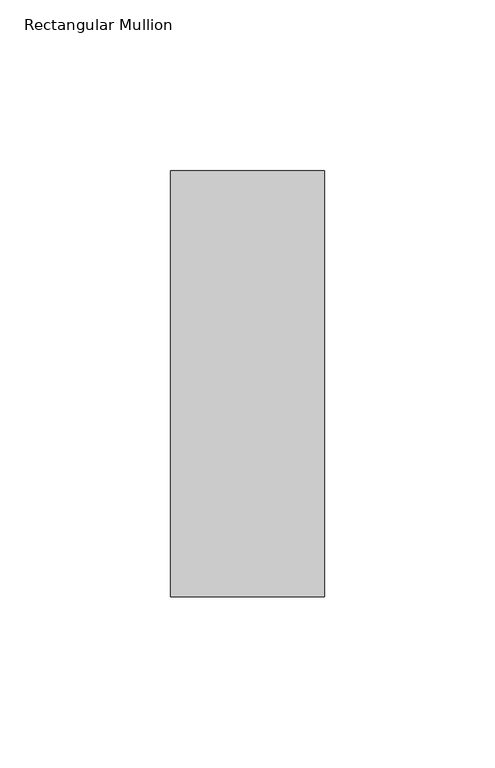
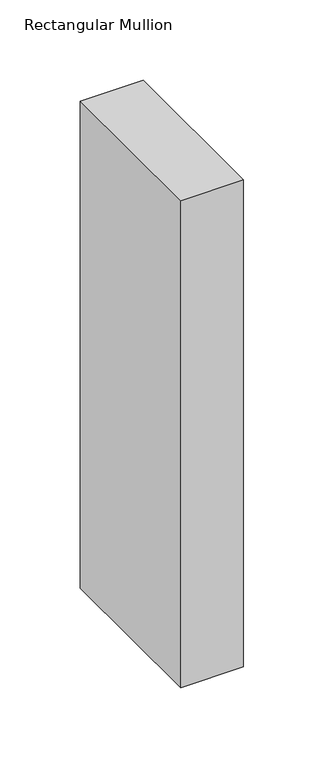
"""IFC4 building model written with IfcOpenShell, lengths in millimetres: member geometry, Rectangular Mullion."""

from ifc_helpers import new_model, si_unit, frame, origin, place, context, project, spatial, polyline, outline, extrude, source, transform, mapped, element, save


def rectangular_mullion_7f04dda9(model_context):
    return source(origin(), model_context, "Body", "SweptSolid", [
        extrude(outline(polyline([(-45.0, -77.84375), (-45.0, 46.84375), (0.0, 46.84375), (0.0, -77.84375), (-45.0, -77.84375)])), frame((0.0, 0.0, -369.7570313), z_axis=(0.0, 0.0, 1.0), x_axis=(1.0, 0.0, 0.0)), (0.0, 0.0, 1.0), 369.7570313),
    ])


if __name__ == "__main__":
    model = new_model("IFC4")
    model_context = context("Model", 3, world=origin())
    ifc_project = project(units=[si_unit("LENGTHUNIT", "METRE", prefix="MILLI")], contexts=[model_context])
    site = spatial("IfcSite", under=ifc_project)
    building = spatial("IfcBuilding", under=site)
    placement = place(None, origin())
    rectangular_mullion_shape = rectangular_mullion_7f04dda9(model_context)
    element("IfcMember", 1, ObjectType="Rectangular Mullion", at=placement, inside=building, context=model_context, shape_type="MappedRepresentation", body=[
        mapped(rectangular_mullion_shape, transform((0.0, 0.0, 0.0), x_axis=(1.0, 0.0, 0.0), y_axis=(0.0, 1.0, 0.0), z_axis=(0.0, 0.0, 1.0))),
    ])
    save(model, "model.ifc")
